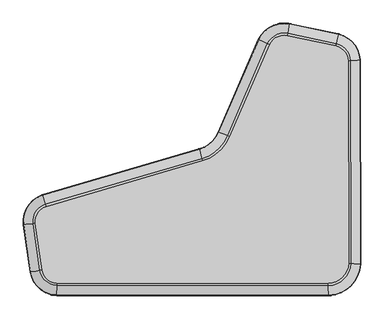
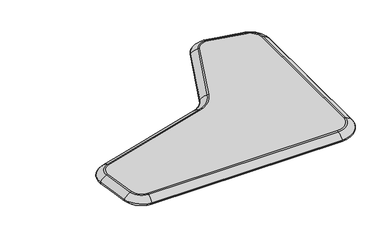
"""IFC4 building model written with IfcOpenShell, lengths in millimetres: furniture geometry."""

from ifc_helpers import new_model, si_unit, point, frame, origin, place, context, project, spatial, circle_curve, ellipse_curve, trimmed, source, transform, mapped, element, save
from ifc_brep_helpers import plane_surface, revolved_surface, advanced_brep


def furniture_b6860d9f(model_context):
    return source(origin(), model_context, "Body", "AdvancedBrep", [
        advanced_brep(
        [(-326.2734197, -236.313272, 382.0000116), (-294.8749357, -264.3265038, 382.0000116), (290.4391448, -265.1286047, 382.0000116), (334.4394906, -221.7031439, 382.0000116), (333.3066413, 215.515427, 382.0000116), (306.3197361, 247.4260858, 382.0000116), (201.8039676, 269.2659264, 382.0000116), (164.0312249, 249.9087519, 382.0000116), (77.9789493, 51.560041, 382.0000116), (19.2076287, -0.5137168, 382.0000116), (-318.036121, -99.3831857, 382.0000116), (-340.8694644, -135.3613504, 382.0000116), (-295.2930613, -273.5770368, 354.9999882), (-335.4165853, -237.7794621, 354.9999882), (-350.0534838, -136.5449801, 354.9999882), (-320.8751896, -90.5691696, 354.9999882), (16.8383263, 8.4380203, 354.9999882), (69.3776164, 54.989948, 354.9999882), (155.6502234, 253.8465184, 354.9999882), (203.502072, 278.3688727, 354.9999882), (308.4088988, 256.4473157, 354.9999882), (342.5495304, 216.0777349, 354.9999882), (343.6851696, -222.2175473, 354.9999882), (290.8319154, -274.380249, 354.9999882), (-331.1795477, -237.1000145, 381.0864983), (-295.0992976, -269.290244, 381.0864983), (-351.6411148, -240.3812137, 366.9309372), (-296.0350244, -289.9920896, 366.9309372), (-351.7020969, -240.3909927, 363.1664435), (-296.0378132, -290.0537878, 363.1664435), (-337.3810224, -238.0944776, 355.1423835), (-295.3828969, -275.5645421, 355.1423835), (-345.7975141, -135.9964738, 381.0864983), (-366.3505081, -138.6453288, 366.9309372), (-366.4117627, -138.6532233, 363.1664435), (-352.0266984, -136.7992866, 355.1423835), (-319.5595358, -94.653676, 381.0864983), (-325.9131113, -74.9287152, 366.9309372), (-325.932047, -74.8699285, 363.1664435), (-321.4851721, -88.6754513, 355.1423835), (17.9362856, 4.2896926, 381.0864983), (12.6340037, 24.3228602, 366.9309372), (12.6182012, 24.3825655, 363.1664435), (16.3292744, 10.3613283, 355.1423835), (73.3635632, 53.4004936, 381.0864983), (54.1145678, 61.0763111, 366.9309372), (54.0571996, 61.0991876, 363.1664435), (67.5295937, 55.726874, 355.1423835), (159.5340663, 252.0217166, 381.0864983), (140.7781527, 260.8340773, 366.9309372), (140.722254, 260.860341, 363.1664435), (153.8495396, 254.6925595, 355.1423835), (202.7151528, 274.1504731, 381.0864983), (206.5153548, 294.5220332, 366.9309372), (206.5266807, 294.582747, 363.1664435), (203.8669149, 280.3246686, 355.1423835), (307.4407592, 252.2667843, 381.0864983), (312.1161138, 272.4554707, 366.9309372), (312.1300479, 272.5156395, 363.1664435), (308.8577618, 258.3855546, 355.1423835), (338.2662798, 215.8171556, 381.0864983), (358.9510192, 217.0755492, 366.9309372), (359.0126664, 217.0792996, 363.1664435), (344.5353934, 216.1985484, 355.1423835), (339.4006262, -221.9791674, 381.0864983), (360.0916089, -223.130355, 366.9309372), (360.1532747, -223.1337859, 363.1664435), (345.671632, -222.3280684, 355.1423835), (290.6499014, -270.0929412, 381.0864983), (291.5288862, -290.7972737, 366.9309372), (291.5315059, -290.8589793, 363.1664435), (290.9163034, -276.3679931, 355.1423835)],
        [
            (0, 1, circle_curve(frame((-293.3702422, -231.0369469, 382.0000116), z_axis=(0.0, 0.0, 1.0), x_axis=(-0.045154063049712374, -0.9989800351308842, 0.0)), 33.3235457)),
            (1, 2, circle_curve(frame((6.932852, 6412.8124726, 382.0000116), z_axis=(0.0, 0.0, 1.0), x_axis=(0.04241594002000567, -0.999100039051255, 0.0)), 6683.9563771)),
            (2, 3, circle_curve(frame((288.4870128, -219.1464784, 382.0000116), z_axis=(0.0, 0.0, 1.0), x_axis=(0.9984558371008476, -0.05555124984413626, 0.0)), 46.0235457)),
            (3, 4, circle_curve(frame((-3419.9399199, -12.8201259, 382.0000116), z_axis=(0.0, 0.0, 1.0), x_axis=(0.9981545622542792, 0.06072454076374811, 0.0)), 3760.1857499)),
            (4, 5, circle_curve(frame((298.4385244, 213.3941619, 382.0000116), z_axis=(0.0, 0.0, 1.0), x_axis=(0.22561205456829644, 0.9742172246647418, 0.0)), 34.9325828)),
            (5, 6, circle_curve(frame((-252.0380649, -2163.623219, 382.0000116), z_axis=(0.0, 0.0, 1.0), x_axis=(0.18338103849356904, 0.9830419089342123, 0.0)), 2474.8580129)),
            (6, 7, circle_curve(frame((195.4401036, 235.1514666, 382.0000116), z_axis=(0.0, 0.0, 1.0), x_axis=(-0.9050779141305899, 0.42524577523241835, 0.0)), 34.7029556)),
            (7, 8, circle_curve(frame((3437.3001245, -1288.0182586, 382.0000116), z_axis=(0.0, 0.0, 1.0), x_axis=(-0.9288718694858054, 0.37040120150715633, 0.0)), 3616.5603519)),
            (8, 9, circle_curve(frame((-3.1361375, 83.9058646, 382.0000116), z_axis=(0.0, 0.0, -1.0), x_axis=(0.2558648059305415, -0.9667125741843469, 0.0)), 87.3264543)),
            (9, 10, circle_curve(frame((1720.1229346, -6426.9396094, 382.0000116), z_axis=(0.0, 0.0, 1.0), x_axis=(-0.3065956132041128, 0.9518398657148134, 0.0)), 6647.7110821)),
            (10, 11, circle_curve(frame((-307.819268, -131.101865, 382.0000116), z_axis=(0.0, 0.0, 1.0), x_axis=(-0.9917971124491444, -0.1278220940899472, 0.0)), 33.3235457)),
            (11, 0, circle_curve(frame((2940.3565075, 287.5206783, 382.0000116), z_axis=(0.0, 0.0, 1.0), x_axis=(-0.9873852508146507, -0.15833624497786172, 0.0)), 3308.3641107)),
            (12, 13, circle_curve(frame((-293.3702422, -231.0369469, 354.9999882), z_axis=(0.0, 0.0, -1.0), x_axis=(-0.045154063049712374, -0.9989800351308842, 0.0)), 42.5835236)),
            (13, 14, circle_curve(frame((2940.3565075, 287.5206783, 354.9999882), z_axis=(0.0, 0.0, -1.0), x_axis=(-0.9873852508146507, -0.15833624497786172, 0.0)), 3317.6240886)),
            (14, 15, circle_curve(frame((-307.819268, -131.101865, 354.9999882), z_axis=(0.0, 0.0, -1.0), x_axis=(-0.9917971124491444, -0.1278220940899472, 0.0)), 42.5835236)),
            (15, 16, circle_curve(frame((1720.1229346, -6426.9396094, 354.9999882), z_axis=(0.0, 0.0, -1.0), x_axis=(-0.3065956132041128, 0.9518398657148134, 0.0)), 6656.97106)),
            (16, 17, circle_curve(frame((-3.1361375, 83.9058646, 354.9999882), z_axis=(0.0, 0.0, 1.0), x_axis=(0.2558648059305415, -0.9667125741843469, 0.0)), 78.0664764)),
            (17, 18, circle_curve(frame((3437.3001245, -1288.0182586, 354.9999882), z_axis=(0.0, 0.0, -1.0), x_axis=(-0.9288718694858054, 0.37040120150715633, 0.0)), 3625.8203297)),
            (18, 19, circle_curve(frame((195.4401036, 235.1514666, 354.9999882), z_axis=(0.0, 0.0, -1.0), x_axis=(-0.9050779141305899, 0.42524577523241835, 0.0)), 43.9629335)),
            (19, 20, circle_curve(frame((-252.0380649, -2163.623219, 354.9999882), z_axis=(0.0, 0.0, -1.0), x_axis=(0.18338103849356904, 0.9830419089342123, 0.0)), 2484.1179908)),
            (20, 21, circle_curve(frame((298.4385244, 213.3941619, 354.9999882), z_axis=(0.0, 0.0, -1.0), x_axis=(0.22561205456829644, 0.9742172246647418, 0.0)), 44.1925607)),
            (21, 22, circle_curve(frame((-3419.9399199, -12.8201259, 354.9999882), z_axis=(0.0, 0.0, -1.0), x_axis=(0.9981545622542792, 0.06072454076374811, 0.0)), 3769.4457278)),
            (22, 23, circle_curve(frame((288.4870128, -219.1464784, 354.9999882), z_axis=(0.0, 0.0, -1.0), x_axis=(0.9984558371008476, -0.05555124984413626, 0.0)), 55.2835236)),
            (23, 12, circle_curve(frame((6.932852, 6412.8124726, 354.9999882), z_axis=(0.0, 0.0, -1.0), x_axis=(0.04241594002000567, -0.999100039051255, 0.0)), 6693.216355)),
            (24, 25, circle_curve(frame((-293.3702422, -231.0369469, 381.0864983), z_axis=(0.0, 0.0, 1.0), x_axis=(-0.045154063049712374, -0.9989800351308842, 0.0)), 38.2923539)),
            (25, 1, circle_curve(frame((-294.8749357, -264.3265038, 368.0300116), z_axis=(-0.9989800351308842, 0.04515406304971235, 0.0), x_axis=(-0.04515406304971235, -0.9989800351308842, 0.0)), 13.97)),
            (0, 24, circle_curve(frame((-326.2734197, -236.313272, 368.0300116), z_axis=(0.15833624497785298, -0.987385250814652, 0.0), x_axis=(-0.987385250814652, -0.15833624497785298, 0.0)), 13.97)),
            (24, 26, circle_curve(frame((-312.3044125, -234.0732141, 330.8548383), z_axis=(0.15833624497785562, -0.9873852508146516, 0.0), x_axis=(-0.9873852508146516, -0.15833624497785562, 0.0)), 53.7461805)),
            (26, 27, circle_curve(frame((-293.3702422, -231.0369469, 366.9309372), z_axis=(0.0, 0.0, 1.0), x_axis=(-0.045154063049712374, -0.9989800351308842, 0.0)), 59.0153363)),
            (27, 25, circle_curve(frame((-294.2361198, -250.1934597, 330.8548383), z_axis=(-0.9989800351308842, 0.04515406304971235, 0.0), x_axis=(-0.04515406304971235, -0.9989800351308842, 0.0)), 53.7461805)),
            (26, 28, circle_curve(frame((-349.5503154, -240.0459349, 365.0134433), z_axis=(0.15833624497785845, -0.9873852508146511, 0.0), x_axis=(-0.9873852508146511, -0.15833624497785845, 0.0)), 2.8566828)),
            (28, 29, circle_curve(frame((-293.3702422, -231.0369469, 363.1664435), z_axis=(0.0, 0.0, 1.0), x_axis=(-0.045154063049712374, -0.9989800351308842, 0.0)), 59.0770974)),
            (29, 27, circle_curve(frame((-295.9394102, -287.8767381, 365.0134433), z_axis=(-0.9989800351308842, 0.04515406304971235, 0.0), x_axis=(-0.04515406304971235, -0.9989800351308842, 0.0)), 2.8566828)),
            (28, 30, circle_curve(frame((-334.0938573, -237.5673506, 378.2806249), z_axis=(0.15833624497785737, -0.9873852508146513, 0.0), x_axis=(-0.9873852508146513, -0.15833624497785737, 0.0)), 23.3765168)),
            (30, 31, circle_curve(frame((-293.3702422, -231.0369469, 355.1423835), z_axis=(0.0, 0.0, 1.0), x_axis=(-0.045154063049712374, -0.9989800351308842, 0.0)), 44.5730581)),
            (31, 29, circle_curve(frame((-295.2325717, -272.2387761, 378.2806249), z_axis=(-0.9989800351308842, 0.04515406304971235, 0.0), x_axis=(-0.04515406304971235, -0.9989800351308842, 0.0)), 23.3765168)),
            (30, 13, circle_curve(frame((-335.4165853, -237.7794621, 368.9699882), z_axis=(0.15833624497785603, -0.9873852508146514, 0.0), x_axis=(-0.9873852508146514, -0.15833624497785603, 0.0)), 13.97)),
            (12, 31, circle_curve(frame((-295.2930613, -273.5770368, 368.9699882), z_axis=(-0.9989800351308842, 0.04515406304971235, 0.0), x_axis=(-0.04515406304971235, -0.9989800351308842, 0.0)), 13.97)),
            (11, 32, circle_curve(frame((-340.8694644, -135.3613504, 368.0300116), z_axis=(0.12782209408997314, -0.991797112449141, 0.0), x_axis=(-0.991797112449141, -0.12782209408997314, 0.0)), 13.97)),
            (32, 24, circle_curve(frame((2940.3565075, 287.5206783, 381.0864983), z_axis=(0.0, 0.0, 1.0), x_axis=(-0.9873852508146507, -0.15833624497786172, 0.0)), 3313.3329189)),
            (32, 33, circle_curve(frame((-326.8380405, -133.5529906, 330.8548383), z_axis=(0.1278220940899731, -0.991797112449141, 0.0), x_axis=(-0.991797112449141, -0.1278220940899731, 0.0)), 53.7461805)),
            (33, 26, circle_curve(frame((2940.3565075, 287.5206783, 366.9309372), z_axis=(0.0, 0.0, 1.0), x_axis=(-0.9873852508146507, -0.15833624497786172, 0.0)), 3334.0559013)),
            (33, 34, circle_curve(frame((-364.2503666, -138.3746641, 365.0134433), z_axis=(0.12782209408997294, -0.991797112449141, 0.0), x_axis=(-0.991797112449141, -0.12782209408997294, 0.0)), 2.8566828)),
            (34, 28, circle_curve(frame((2940.3565075, 287.5206783, 363.1664435), z_axis=(0.0, 0.0, 1.0), x_axis=(-0.9873852508146507, -0.15833624497786172, 0.0)), 3334.1176624)),
            (34, 35, circle_curve(frame((-348.7248455, -136.3737462, 378.2806249), z_axis=(0.12782209408997294, -0.991797112449141, 0.0), x_axis=(-0.991797112449141, -0.12782209408997294, 0.0)), 23.3765168)),
            (35, 30, circle_curve(frame((2940.3565075, 287.5206783, 355.1423835), z_axis=(0.0, 0.0, 1.0), x_axis=(-0.9873852508146507, -0.15833624497786172, 0.0)), 3319.6136231)),
            (35, 14, circle_curve(frame((-350.0534838, -136.5449801, 368.9699882), z_axis=(0.12782209408997305, -0.991797112449141, 0.0), x_axis=(-0.991797112449141, -0.12782209408997305, 0.0)), 13.97)),
            (10, 36, circle_curve(frame((-318.036121, -99.3831857, 368.0300116), z_axis=(-0.9518398657147706, -0.30659561320424583, 0.0), x_axis=(-0.30659561320424583, 0.9518398657147706, 0.0)), 13.97)),
            (36, 32, circle_curve(frame((-307.819268, -131.101865, 381.0864983), z_axis=(0.0, 0.0, 1.0), x_axis=(-0.9917971124491444, -0.1278220940899472, 0.0)), 38.2923539)),
            (36, 37, circle_curve(frame((-313.6985675, -112.8493155, 330.8548383), z_axis=(-0.9518398657147764, -0.3065956132042276, 0.0), x_axis=(-0.3065956132042276, 0.9518398657147764, 0.0)), 53.7461805)),
            (37, 33, circle_curve(frame((-307.819268, -131.101865, 366.9309372), z_axis=(0.0, 0.0, 1.0), x_axis=(-0.9917971124491444, -0.1278220940899472, 0.0)), 59.0153363)),
            (37, 38, circle_curve(frame((-325.2638916, -76.9442469, 365.0134433), z_axis=(-0.9518398657147898, -0.30659561320418605, 0.0), x_axis=(-0.30659561320418605, 0.9518398657147898, 0.0)), 2.8566828)),
            (38, 34, circle_curve(frame((-307.819268, -131.101865, 363.1664435), z_axis=(0.0, 0.0, 1.0), x_axis=(-0.9917971124491444, -0.1278220940899472, 0.0)), 59.0770974)),
            (38, 39, circle_curve(frame((-320.4644658, -91.8442801, 378.2806249), z_axis=(-0.9518398657147894, -0.3065956132041875, 0.0), x_axis=(-0.3065956132041875, 0.9518398657147894, 0.0)), 23.3765168)),
            (39, 35, circle_curve(frame((-307.819268, -131.101865, 355.1423835), z_axis=(0.0, 0.0, 1.0), x_axis=(-0.9917971124491444, -0.1278220940899472, 0.0)), 44.5730581)),
            (39, 15, circle_curve(frame((-320.8751896, -90.5691696, 368.9699882), z_axis=(-0.9518398657147823, -0.30659561320420947, 0.0), x_axis=(-0.30659561320420947, 0.9518398657147823, 0.0)), 13.97)),
            (9, 40, circle_curve(frame((19.2076287, -0.5137168, 368.0300116), z_axis=(-0.9667125741843443, -0.2558648059305506, 0.0), x_axis=(-0.2558648059305506, 0.9667125741843443, 0.0)), 13.97)),
            (40, 36, circle_curve(frame((1720.1229346, -6426.9396094, 381.0864983), z_axis=(0.0, 0.0, 1.0), x_axis=(-0.3065956132041128, 0.9518398657148134, 0.0)), 6652.6798903)),
            (40, 41, circle_curve(frame((22.8274694, -14.1902578, 330.8548383), z_axis=(-0.9667125741843444, -0.2558648059305506, 0.0), x_axis=(-0.2558648059305506, 0.9667125741843444, 0.0)), 53.7461805)),
            (41, 37, circle_curve(frame((1720.1229346, -6426.9396094, 366.9309372), z_axis=(0.0, 0.0, 1.0), x_axis=(-0.3065956132041128, 0.9518398657148134, 0.0)), 6673.4028726)),
            (41, 42, circle_curve(frame((13.1758003, 22.2758354, 365.0134433), z_axis=(-0.9667125741843444, -0.2558648059305506, 0.0), x_axis=(-0.2558648059305506, 0.9667125741843444, 0.0)), 2.8566828)),
            (42, 38, circle_curve(frame((1720.1229346, -6426.9396094, 363.1664435), z_axis=(0.0, 0.0, 1.0), x_axis=(-0.3065956132041128, 0.9518398657148134, 0.0)), 6673.4646338)),
            (42, 43, circle_curve(frame((17.1810897, 7.1429859, 378.2806249), z_axis=(-0.9667125741843444, -0.2558648059305506, 0.0), x_axis=(-0.2558648059305506, 0.9667125741843444, 0.0)), 23.3765168)),
            (43, 39, circle_curve(frame((1720.1229346, -6426.9396094, 355.1423835), z_axis=(0.0, 0.0, 1.0), x_axis=(-0.3065956132041128, 0.9518398657148134, 0.0)), 6658.9605945)),
            (43, 16, circle_curve(frame((16.8383263, 8.4380203, 368.9699882), z_axis=(-0.9667125741843444, -0.2558648059305506, 0.0), x_axis=(-0.2558648059305506, 0.9667125741843444, 0.0)), 13.97)),
            (8, 44, circle_curve(frame((77.9789493, 51.560041, 368.0300116), z_axis=(-0.3704012015071638, -0.9288718694858024, 0.0), x_axis=(-0.9288718694858024, 0.3704012015071638, 0.0)), 13.97)),
            (44, 40, circle_curve(frame((-3.1361375, 83.9058646, 381.0864983), z_axis=(0.0, 0.0, -1.0), x_axis=(0.2558648059305415, -0.9667125741843469, 0.0)), 82.3576461)),
            (44, 45, circle_curve(frame((91.12014, 46.3197997, 330.8548383), z_axis=(-0.37040120150716715, -0.928871869485801, 0.0), x_axis=(-0.928871869485801, 0.37040120150716715, 0.0)), 53.7461805)),
            (45, 41, circle_curve(frame((-3.1361375, 83.9058646, 366.9309372), z_axis=(0.0, 0.0, -1.0), x_axis=(0.2558648059305415, -0.9667125741843469, 0.0)), 61.6346637)),
            (45, 46, circle_curve(frame((56.0814644, 60.2919824, 365.0134433), z_axis=(-0.37040120150716915, -0.9288718694858003, 0.0), x_axis=(-0.9288718694858003, 0.37040120150716915, 0.0)), 2.8566828)),
            (46, 42, circle_curve(frame((-3.1361375, 83.9058646, 363.1664435), z_axis=(0.0, 0.0, -1.0), x_axis=(0.2558648059305415, -0.9667125741843469, 0.0)), 61.5729026)),
            (46, 47, circle_curve(frame((70.6219583, 54.4937485, 378.2806249), z_axis=(-0.37040120150716754, -0.9288718694858009, 0.0), x_axis=(-0.9288718694858009, 0.37040120150716754, 0.0)), 23.3765168)),
            (47, 43, circle_curve(frame((-3.1361375, 83.9058646, 355.1423835), z_axis=(0.0, 0.0, -1.0), x_axis=(0.2558648059305415, -0.9667125741843469, 0.0)), 76.0769419)),
            (47, 17, circle_curve(frame((69.3776164, 54.989948, 368.9699882), z_axis=(-0.3704012015071689, -0.9288718694858004, 0.0), x_axis=(-0.9288718694858004, 0.3704012015071689, 0.0)), 13.97)),
            (7, 48, circle_curve(frame((164.0312249, 249.9087519, 368.0300116), z_axis=(-0.42524577523241847, -0.9050779141305899, 0.0), x_axis=(-0.9050779141305899, 0.42524577523241847, 0.0)), 13.97)),
            (48, 44, circle_curve(frame((3437.3001245, -1288.0182586, 381.0864983), z_axis=(0.0, 0.0, 1.0), x_axis=(-0.9288718694858054, 0.37040120150715633, 0.0)), 3621.5291601)),
            (48, 49, circle_curve(frame((176.8357912, 243.8925983, 330.8548383), z_axis=(-0.42524577523241847, -0.9050779141305899, 0.0), x_axis=(-0.9050779141305899, 0.42524577523241847, 0.0)), 53.7461805)),
            (49, 45, circle_curve(frame((3437.3001245, -1288.0182586, 366.9309372), z_axis=(0.0, 0.0, 1.0), x_axis=(-0.9288718694858054, 0.37040120150715633, 0.0)), 3642.2521424)),
            (49, 50, circle_curve(frame((142.6946653, 259.9336146, 365.0134433), z_axis=(-0.42524577523241847, -0.9050779141305899, 0.0), x_axis=(-0.9050779141305899, 0.42524577523241847, 0.0)), 2.8566828)),
            (50, 46, circle_curve(frame((3437.3001245, -1288.0182586, 363.1664435), z_axis=(0.0, 0.0, 1.0), x_axis=(-0.9288718694858054, 0.37040120150715633, 0.0)), 3642.3139036)),
            (50, 51, circle_curve(frame((156.8626903, 253.2768476, 378.2806249), z_axis=(-0.42524577523241847, -0.9050779141305899, 0.0), x_axis=(-0.9050779141305899, 0.42524577523241847, 0.0)), 23.3765168)),
            (51, 47, circle_curve(frame((3437.3001245, -1288.0182586, 355.1423835), z_axis=(0.0, 0.0, 1.0), x_axis=(-0.9288718694858054, 0.37040120150715633, 0.0)), 3627.8098643)),
            (51, 18, circle_curve(frame((155.6502234, 253.8465184, 368.9699882), z_axis=(-0.42524577523241847, -0.9050779141305899, 0.0), x_axis=(-0.9050779141305899, 0.42524577523241847, 0.0)), 13.97)),
            (6, 52, circle_curve(frame((201.8039676, 269.2659264, 368.0300116), z_axis=(-0.9830419089342199, 0.1833810384935275, 0.0), x_axis=(0.1833810384935275, 0.9830419089342199, 0.0)), 13.97)),
            (52, 48, circle_curve(frame((195.4401036, 235.1514666, 381.0864983), z_axis=(0.0, 0.0, 1.0), x_axis=(-0.9050779141305899, 0.42524577523241835, 0.0)), 39.6717638)),
            (52, 53, circle_curve(frame((199.2095891, 255.3583665, 330.8548383), z_axis=(-0.9830419089342192, 0.18338103849353207, 0.0), x_axis=(0.18338103849353207, 0.9830419089342192, 0.0)), 53.7461805)),
            (53, 49, circle_curve(frame((195.4401036, 235.1514666, 366.9309372), z_axis=(0.0, 0.0, 1.0), x_axis=(-0.9050779141305899, 0.42524577523241835, 0.0)), 60.3947462)),
            (53, 54, circle_curve(frame((206.1270434, 292.4404309, 365.0134433), z_axis=(-0.9830419089342167, 0.18338103849354476, 0.0), x_axis=(0.18338103849354476, 0.9830419089342167, 0.0)), 2.8566828)),
            (54, 50, circle_curve(frame((195.4401036, 235.1514666, 363.1664435), z_axis=(0.0, 0.0, 1.0), x_axis=(-0.9050779141305899, 0.42524577523241835, 0.0)), 60.4565074)),
            (54, 55, circle_curve(frame((203.2564098, 277.0519631, 378.2806249), z_axis=(-0.9830419089342168, 0.18338103849354498, 0.0), x_axis=(0.18338103849354498, 0.9830419089342168, 0.0)), 23.3765168)),
            (55, 51, circle_curve(frame((195.4401036, 235.1514666, 355.1423835), z_axis=(0.0, 0.0, 1.0), x_axis=(-0.9050779141305899, 0.42524577523241835, 0.0)), 45.9524681)),
            (55, 19, circle_curve(frame((203.502072, 278.3688727, 368.9699882), z_axis=(-0.9830419089342182, 0.183381038493538, 0.0), x_axis=(0.183381038493538, 0.9830419089342182, 0.0)), 13.97)),
            (5, 56, circle_curve(frame((306.3197361, 247.4260858, 368.0300116), z_axis=(-0.9742172246647435, 0.2256120545682898, 0.0), x_axis=(0.2256120545682898, 0.9742172246647435, 0.0)), 13.97)),
            (56, 52, circle_curve(frame((-252.0380649, -2163.623219, 381.0864983), z_axis=(0.0, 0.0, 1.0), x_axis=(0.18338103849356904, 0.9830419089342123, 0.0)), 2479.8268211)),
            (56, 57, circle_curve(frame((303.1278955, 233.6433729, 330.8548383), z_axis=(-0.9742172246647435, 0.22561205456828987, 0.0), x_axis=(0.22561205456828987, 0.9742172246647435, 0.0)), 53.7461805)),
            (57, 53, circle_curve(frame((-252.0380649, -2163.623219, 366.9309372), z_axis=(0.0, 0.0, 1.0), x_axis=(0.18338103849356904, 0.9830419089342123, 0.0)), 2500.5498035)),
            (57, 58, circle_curve(frame((311.6383777, 270.3925547, 365.0134433), z_axis=(-0.9742172246647433, 0.22561205456828987, 0.0), x_axis=(0.22561205456828987, 0.9742172246647433, 0.0)), 2.8566828)),
            (58, 54, circle_curve(frame((-252.0380649, -2163.623219, 363.1664435), z_axis=(0.0, 0.0, 1.0), x_axis=(0.18338103849356904, 0.9830419089342123, 0.0)), 2500.6115647)),
            (58, 59, circle_curve(frame((308.1066628, 255.142228, 378.2806249), z_axis=(-0.9742172246647433, 0.22561205456828987, 0.0), x_axis=(0.22561205456828987, 0.9742172246647433, 0.0)), 23.3765168)),
            (59, 55, circle_curve(frame((-252.0380649, -2163.623219, 355.1423835), z_axis=(0.0, 0.0, 1.0), x_axis=(0.18338103849356904, 0.9830419089342123, 0.0)), 2486.1075254)),
            (59, 20, circle_curve(frame((308.4088988, 256.4473157, 368.9699882), z_axis=(-0.9742172246647434, 0.22561205456828987, 0.0), x_axis=(0.22561205456828987, 0.9742172246647434, 0.0)), 13.97)),
            (4, 60, circle_curve(frame((333.3066413, 215.515427, 368.0300116), z_axis=(-0.060724540763123586, 0.9981545622543171, 0.0), x_axis=(0.9981545622543171, 0.060724540763123586, 0.0)), 13.97)),
            (60, 56, circle_curve(frame((298.4385244, 213.3941619, 381.0864983), z_axis=(0.0, 0.0, 1.0), x_axis=(0.22561205456829644, 0.9742172246647418, 0.0)), 39.901391)),
            (60, 61, circle_curve(frame((319.1852755, 214.6563281, 330.8548383), z_axis=(-0.06072454076320094, 0.9981545622543124, 0.0), x_axis=(0.9981545622543124, 0.06072454076320094, 0.0)), 53.7461805)),
            (61, 57, circle_curve(frame((298.4385244, 213.3941619, 366.9309372), z_axis=(0.0, 0.0, 1.0), x_axis=(0.22561205456829644, 0.9742172246647418, 0.0)), 60.6243734)),
            (61, 62, circle_curve(frame((356.8374157, 216.9469643, 365.0134433), z_axis=(-0.06072454076338865, 0.9981545622543011, 0.0), x_axis=(0.9981545622543011, 0.06072454076338865, 0.0)), 2.8566828)),
            (62, 58, circle_curve(frame((298.4385244, 213.3941619, 363.1664435), z_axis=(0.0, 0.0, 1.0), x_axis=(0.22561205456829644, 0.9742172246647418, 0.0)), 60.6861346)),
            (62, 63, circle_curve(frame((341.2123756, 215.9963866, 378.2806249), z_axis=(-0.06072454076338951, 0.9981545622543011, 0.0), x_axis=(0.9981545622543011, 0.06072454076338951, 0.0)), 23.3765168)),
            (63, 59, circle_curve(frame((298.4385244, 213.3941619, 355.1423835), z_axis=(0.0, 0.0, 1.0), x_axis=(0.22561205456829644, 0.9742172246647418, 0.0)), 46.1820953)),
            (63, 21, circle_curve(frame((342.5495304, 216.0777349, 368.9699882), z_axis=(-0.06072454076327605, 0.9981545622543079, 0.0), x_axis=(0.9981545622543079, 0.06072454076327605, 0.0)), 13.97)),
            (3, 64, circle_curve(frame((334.4394906, -221.7031439, 368.0300116), z_axis=(0.05555124984413642, 0.9984558371008476, 0.0), x_axis=(0.9984558371008476, -0.05555124984413642, 0.0)), 13.97)),
            (64, 60, circle_curve(frame((-3419.9399199, -12.8201259, 381.0864983), z_axis=(0.0, 0.0, 1.0), x_axis=(0.9981545622542792, 0.06072454076374811, 0.0)), 3765.1545581)),
            (64, 65, circle_curve(frame((320.3138626, -220.9172341, 330.8548383), z_axis=(0.055551249844136404, 0.9984558371008476, 0.0), x_axis=(0.9984558371008476, -0.055551249844136404, 0.0)), 53.7461805)),
            (65, 61, circle_curve(frame((-3419.9399199, -12.8201259, 366.9309372), z_axis=(0.0, 0.0, 1.0), x_axis=(0.9981545622542792, 0.06072454076374811, 0.0)), 3785.8775404)),
            (65, 66, circle_curve(frame((357.9773674, -223.0127246, 365.0134433), z_axis=(0.055551249844136404, 0.9984558371008476, 0.0), x_axis=(0.9984558371008476, -0.055551249844136404, 0.0)), 2.8566828)),
            (66, 62, circle_curve(frame((-3419.9399199, -12.8201259, 363.1664435), z_axis=(0.0, 0.0, 1.0), x_axis=(0.9981545622542792, 0.06072454076374811, 0.0)), 3785.9393016)),
            (66, 67, circle_curve(frame((342.3476111, -222.1431293, 378.2806249), z_axis=(0.055551249844136404, 0.9984558371008476, 0.0), x_axis=(0.9984558371008476, -0.055551249844136404, 0.0)), 23.3765168)),
            (67, 63, circle_curve(frame((-3419.9399199, -12.8201259, 355.1423835), z_axis=(0.0, 0.0, 1.0), x_axis=(0.9981545622542792, 0.06072454076374811, 0.0)), 3771.4352623)),
            (67, 22, circle_curve(frame((343.6851696, -222.2175473, 368.9699882), z_axis=(0.05555124984413642, 0.9984558371008476, 0.0), x_axis=(0.9984558371008476, -0.05555124984413642, 0.0)), 13.97)),
            (2, 68, circle_curve(frame((290.4391448, -265.1286047, 368.0300116), z_axis=(0.9991000390512902, 0.0424159400191758, 0.0), x_axis=(0.0424159400191758, -0.9991000390512902, 0.0)), 13.97)),
            (68, 64, circle_curve(frame((288.4870128, -219.1464784, 381.0864983), z_axis=(0.0, 0.0, 1.0), x_axis=(0.9984558371008476, -0.05555124984413626, 0.0)), 50.9923539)),
            (68, 69, circle_curve(frame((289.8390663, -250.9938629, 330.8548383), z_axis=(0.9991000390512869, 0.04241594001925655, 0.0), x_axis=(0.04241594001925655, -0.9991000390512869, 0.0)), 53.7461805)),
            (69, 65, circle_curve(frame((288.4870128, -219.1464784, 366.9309372), z_axis=(0.0, 0.0, 1.0), x_axis=(0.9984558371008476, -0.05555124984413626, 0.0)), 71.7153363)),
            (69, 70, circle_curve(frame((291.43907, -288.6816681, 365.0134433), z_axis=(0.9991000390512776, 0.04241594001947307, 0.0), x_axis=(0.04241594001947307, -0.9991000390512776, 0.0)), 2.8566828)),
            (70, 66, circle_curve(frame((288.4870128, -219.1464784, 363.1664435), z_axis=(0.0, 0.0, 1.0), x_axis=(0.9984558371008476, -0.05555124984413626, 0.0)), 71.7770974)),
            (70, 71, circle_curve(frame((290.7750939, -273.0418275, 378.2806249), z_axis=(0.9991000390512776, 0.04241594001947329, 0.0), x_axis=(0.04241594001947329, -0.9991000390512776, 0.0)), 23.3765168)),
            (71, 67, circle_curve(frame((288.4870128, -219.1464784, 355.1423835), z_axis=(0.0, 0.0, 1.0), x_axis=(0.9984558371008476, -0.05555124984413626, 0.0)), 57.2730581)),
            (71, 23, circle_curve(frame((290.8319154, -274.380249, 368.9699882), z_axis=(0.9991000390512833, 0.04241594001933885, 0.0), x_axis=(0.04241594001933885, -0.9991000390512833, 0.0)), 13.97)),
            (25, 68, circle_curve(frame((6.932852, 6412.8124726, 381.0864983), z_axis=(0.0, 0.0, 1.0), x_axis=(0.04241594002000567, -0.999100039051255, 0.0)), 6688.9251853)),
            (27, 69, circle_curve(frame((6.932852, 6412.8124726, 366.9309372), z_axis=(0.0, 0.0, 1.0), x_axis=(0.04241594002000567, -0.999100039051255, 0.0)), 6709.6481677)),
            (29, 70, circle_curve(frame((6.932852, 6412.8124726, 363.1664435), z_axis=(0.0, 0.0, 1.0), x_axis=(0.04241594002000567, -0.999100039051255, 0.0)), 6709.7099289)),
            (31, 71, circle_curve(frame((6.932852, 6412.8124726, 355.1423835), z_axis=(0.0, 0.0, 1.0), x_axis=(0.04241594002000567, -0.999100039051255, 0.0)), 6695.2058896)),
        ],
        [
            plane_surface(frame((-261.6202422, -231.0369469, 382.0000116), z_axis=(0.0, 0.0, 1.0), x_axis=(0.0, 1.0, 0.0))),
            plane_surface(frame((-261.6202422, -231.0369469, 354.9999882), z_axis=(0.0, 0.0, -1.0), x_axis=(0.0, -1.0, 0.0))),
            revolved_surface(trimmed(ellipse_curve(frame((-294.8749357, -264.3265038, 368.0300116), z_axis=(0.9989800351308842, -0.04515406304971235, 0.0), x_axis=(-0.04515406304971235, -0.9989800351308842, 0.0)), 13.97, 13.97), [point((-294.8749357, -264.3265038, 382.0000116))], [point((-295.0992976, -269.290244, 381.0864983))], True, "CARTESIAN"), (-293.3702422, -231.0369469, 382.0000116), (0.0, 0.0, -1.0)),
            revolved_surface(trimmed(ellipse_curve(frame((-294.2361198, -250.1934597, 330.8548383), z_axis=(0.9989800351308842, -0.04515406304971235, 0.0), x_axis=(-0.04515406304971235, -0.9989800351308842, 0.0)), 53.7461805, 53.7461805), [point((-295.0992976, -269.290244, 381.0864983))], [point((-296.0350244, -289.9920896, 366.9309372))], True, "CARTESIAN"), (-293.3702422, -231.0369469, 382.0000116), (0.0, 0.0, -1.0)),
            revolved_surface(trimmed(ellipse_curve(frame((-295.9394102, -287.8767381, 365.0134433), z_axis=(0.9989800351308842, -0.04515406304971235, 0.0), x_axis=(-0.04515406304971235, -0.9989800351308842, 0.0)), 2.8566828, 2.8566828), [point((-296.0350244, -289.9920896, 366.9309372))], [point((-296.0378132, -290.0537878, 363.1664435))], True, "CARTESIAN"), (-293.3702422, -231.0369469, 382.0000116), (0.0, 0.0, -1.0)),
            revolved_surface(trimmed(ellipse_curve(frame((-295.2325717, -272.2387761, 378.2806249), z_axis=(0.9989800351308842, -0.04515406304971235, 0.0), x_axis=(-0.04515406304971235, -0.9989800351308842, 0.0)), 23.3765168, 23.3765168), [point((-296.0378132, -290.0537878, 363.1664435))], [point((-295.3828969, -275.5645421, 355.1423835))], True, "CARTESIAN"), (-293.3702422, -231.0369469, 382.0000116), (0.0, 0.0, -1.0)),
            revolved_surface(trimmed(ellipse_curve(frame((-295.2930613, -273.5770368, 368.9699882), z_axis=(0.9989800351308842, -0.04515406304971235, 0.0), x_axis=(-0.04515406304971235, -0.9989800351308842, 0.0)), 13.97, 13.97), [point((-295.3828969, -275.5645421, 355.1423835))], [point((-295.2930613, -273.5770368, 354.9999882))], True, "CARTESIAN"), (-293.3702422, -231.0369469, 382.0000116), (0.0, 0.0, -1.0)),
            revolved_surface(trimmed(ellipse_curve(frame((-326.2734197, -236.313272, 368.0300116), z_axis=(0.15833624497786175, -0.9873852508146507, 0.0), x_axis=(-0.9873852508146507, -0.15833624497786175, 0.0)), 13.97, 13.97), [point((-326.2734197, -236.313272, 382.0000116))], [point((-331.1795477, -237.1000145, 381.0864983))], True, "CARTESIAN"), (2940.3565075, 287.5206783, 382.0000116), (0.0, 0.0, -1.0)),
            revolved_surface(trimmed(ellipse_curve(frame((-312.3044125, -234.0732141, 330.8548383), z_axis=(0.15833624497786175, -0.9873852508146507, 0.0), x_axis=(-0.9873852508146507, -0.15833624497786175, 0.0)), 53.7461805, 53.7461805), [point((-331.1795477, -237.1000145, 381.0864983))], [point((-351.6411148, -240.3812137, 366.9309372))], True, "CARTESIAN"), (2940.3565075, 287.5206783, 382.0000116), (0.0, 0.0, -1.0)),
            revolved_surface(trimmed(ellipse_curve(frame((-349.5503154, -240.0459349, 365.0134433), z_axis=(0.15833624497786175, -0.9873852508146507, 0.0), x_axis=(-0.9873852508146507, -0.15833624497786175, 0.0)), 2.8566828, 2.8566828), [point((-351.6411148, -240.3812137, 366.9309372))], [point((-351.7020969, -240.3909927, 363.1664435))], True, "CARTESIAN"), (2940.3565075, 287.5206783, 382.0000116), (0.0, 0.0, -1.0)),
            revolved_surface(trimmed(ellipse_curve(frame((-334.0938573, -237.5673506, 378.2806249), z_axis=(0.15833624497786175, -0.9873852508146507, 0.0), x_axis=(-0.9873852508146507, -0.15833624497786175, 0.0)), 23.3765168, 23.3765168), [point((-351.7020969, -240.3909927, 363.1664435))], [point((-337.3810224, -238.0944776, 355.1423835))], True, "CARTESIAN"), (2940.3565075, 287.5206783, 382.0000116), (0.0, 0.0, -1.0)),
            revolved_surface(trimmed(ellipse_curve(frame((-335.4165853, -237.7794621, 368.9699882), z_axis=(0.15833624497786175, -0.9873852508146507, 0.0), x_axis=(-0.9873852508146507, -0.15833624497786175, 0.0)), 13.97, 13.97), [point((-337.3810224, -238.0944776, 355.1423835))], [point((-335.4165853, -237.7794621, 354.9999882))], True, "CARTESIAN"), (2940.3565075, 287.5206783, 382.0000116), (0.0, 0.0, -1.0)),
            revolved_surface(trimmed(ellipse_curve(frame((-340.8694644, -135.3613504, 368.0300116), z_axis=(0.12782209408994724, -0.9917971124491444, 0.0), x_axis=(-0.9917971124491444, -0.12782209408994724, 0.0)), 13.97, 13.97), [point((-340.8694644, -135.3613504, 382.0000116))], [point((-345.7975141, -135.9964738, 381.0864983))], True, "CARTESIAN"), (-307.819268, -131.101865, 382.0000116), (0.0, 0.0, -1.0)),
            revolved_surface(trimmed(ellipse_curve(frame((-326.8380405, -133.5529906, 330.8548383), z_axis=(0.12782209408994724, -0.9917971124491444, 0.0), x_axis=(-0.9917971124491444, -0.12782209408994724, 0.0)), 53.7461805, 53.7461805), [point((-345.7975141, -135.9964738, 381.0864983))], [point((-366.3505081, -138.6453288, 366.9309372))], True, "CARTESIAN"), (-307.819268, -131.101865, 382.0000116), (0.0, 0.0, -1.0)),
            revolved_surface(trimmed(ellipse_curve(frame((-364.2503666, -138.3746641, 365.0134433), z_axis=(0.12782209408994724, -0.9917971124491444, 0.0), x_axis=(-0.9917971124491444, -0.12782209408994724, 0.0)), 2.8566828, 2.8566828), [point((-366.3505081, -138.6453288, 366.9309372))], [point((-366.4117627, -138.6532233, 363.1664435))], True, "CARTESIAN"), (-307.819268, -131.101865, 382.0000116), (0.0, 0.0, -1.0)),
            revolved_surface(trimmed(ellipse_curve(frame((-348.7248455, -136.3737462, 378.2806249), z_axis=(0.12782209408994724, -0.9917971124491444, 0.0), x_axis=(-0.9917971124491444, -0.12782209408994724, 0.0)), 23.3765168, 23.3765168), [point((-366.4117627, -138.6532233, 363.1664435))], [point((-352.0266984, -136.7992866, 355.1423835))], True, "CARTESIAN"), (-307.819268, -131.101865, 382.0000116), (0.0, 0.0, -1.0)),
            revolved_surface(trimmed(ellipse_curve(frame((-350.0534838, -136.5449801, 368.9699882), z_axis=(0.12782209408994724, -0.9917971124491444, 0.0), x_axis=(-0.9917971124491444, -0.12782209408994724, 0.0)), 13.97, 13.97), [point((-352.0266984, -136.7992866, 355.1423835))], [point((-350.0534838, -136.5449801, 354.9999882))], True, "CARTESIAN"), (-307.819268, -131.101865, 382.0000116), (0.0, 0.0, -1.0)),
            revolved_surface(trimmed(ellipse_curve(frame((-318.036121, -99.3831857, 368.0300116), z_axis=(-0.9518398657148134, -0.30659561320411294, 0.0), x_axis=(-0.30659561320411294, 0.9518398657148134, 0.0)), 13.97, 13.97), [point((-318.036121, -99.3831857, 382.0000116))], [point((-319.5595358, -94.653676, 381.0864983))], True, "CARTESIAN"), (1720.1229346, -6426.9396094, 382.0000116), (0.0, 0.0, -1.0)),
            revolved_surface(trimmed(ellipse_curve(frame((-313.6985675, -112.8493155, 330.8548383), z_axis=(-0.9518398657148134, -0.30659561320411294, 0.0), x_axis=(-0.30659561320411294, 0.9518398657148134, 0.0)), 53.7461805, 53.7461805), [point((-319.5595358, -94.653676, 381.0864983))], [point((-325.9131113, -74.9287152, 366.9309372))], True, "CARTESIAN"), (1720.1229346, -6426.9396094, 382.0000116), (0.0, 0.0, -1.0)),
            revolved_surface(trimmed(ellipse_curve(frame((-325.2638916, -76.9442469, 365.0134433), z_axis=(-0.9518398657148134, -0.30659561320411294, 0.0), x_axis=(-0.30659561320411294, 0.9518398657148134, 0.0)), 2.8566828, 2.8566828), [point((-325.9131113, -74.9287152, 366.9309372))], [point((-325.932047, -74.8699285, 363.1664435))], True, "CARTESIAN"), (1720.1229346, -6426.9396094, 382.0000116), (0.0, 0.0, -1.0)),
            revolved_surface(trimmed(ellipse_curve(frame((-320.4644658, -91.8442801, 378.2806249), z_axis=(-0.9518398657148134, -0.30659561320411294, 0.0), x_axis=(-0.30659561320411294, 0.9518398657148134, 0.0)), 23.3765168, 23.3765168), [point((-325.932047, -74.8699285, 363.1664435))], [point((-321.4851721, -88.6754513, 355.1423835))], True, "CARTESIAN"), (1720.1229346, -6426.9396094, 382.0000116), (0.0, 0.0, -1.0)),
            revolved_surface(trimmed(ellipse_curve(frame((-320.8751896, -90.5691696, 368.9699882), z_axis=(-0.9518398657148134, -0.30659561320411294, 0.0), x_axis=(-0.30659561320411294, 0.9518398657148134, 0.0)), 13.97, 13.97), [point((-321.4851721, -88.6754513, 355.1423835))], [point((-320.8751896, -90.5691696, 354.9999882))], True, "CARTESIAN"), (1720.1229346, -6426.9396094, 382.0000116), (0.0, 0.0, -1.0)),
            revolved_surface(trimmed(ellipse_curve(frame((19.2076287, -0.5137168, 368.0300116), z_axis=(-0.9667125741843469, -0.2558648059305416, 0.0), x_axis=(-0.2558648059305416, 0.9667125741843469, 0.0)), 13.97, 13.97), [point((19.2076287, -0.5137168, 382.0000116))], [point((17.9362856, 4.2896926, 381.0864983))], True, "CARTESIAN"), (-3.1361375, 83.9058646, 382.0000116), (0.0, 0.0, 1.0)),
            revolved_surface(trimmed(ellipse_curve(frame((22.8274694, -14.1902578, 330.8548383), z_axis=(-0.9667125741843469, -0.2558648059305416, 0.0), x_axis=(-0.2558648059305416, 0.9667125741843469, 0.0)), 53.7461805, 53.7461805), [point((17.9362856, 4.2896926, 381.0864983))], [point((12.6340037, 24.3228602, 366.9309372))], True, "CARTESIAN"), (-3.1361375, 83.9058646, 382.0000116), (0.0, 0.0, 1.0)),
            revolved_surface(trimmed(ellipse_curve(frame((13.1758003, 22.2758354, 365.0134433), z_axis=(-0.9667125741843469, -0.2558648059305416, 0.0), x_axis=(-0.2558648059305416, 0.9667125741843469, 0.0)), 2.8566828, 2.8566828), [point((12.6340037, 24.3228602, 366.9309372))], [point((12.6182012, 24.3825655, 363.1664435))], True, "CARTESIAN"), (-3.1361375, 83.9058646, 382.0000116), (0.0, 0.0, 1.0)),
            revolved_surface(trimmed(ellipse_curve(frame((17.1810897, 7.1429859, 378.2806249), z_axis=(-0.9667125741843469, -0.2558648059305416, 0.0), x_axis=(-0.2558648059305416, 0.9667125741843469, 0.0)), 23.3765168, 23.3765168), [point((12.6182012, 24.3825655, 363.1664435))], [point((16.3292744, 10.3613283, 355.1423835))], True, "CARTESIAN"), (-3.1361375, 83.9058646, 382.0000116), (0.0, 0.0, 1.0)),
            revolved_surface(trimmed(ellipse_curve(frame((16.8383263, 8.4380203, 368.9699882), z_axis=(-0.9667125741843469, -0.2558648059305416, 0.0), x_axis=(-0.2558648059305416, 0.9667125741843469, 0.0)), 13.97, 13.97), [point((16.3292744, 10.3613283, 355.1423835))], [point((16.8383263, 8.4380203, 354.9999882))], True, "CARTESIAN"), (-3.1361375, 83.9058646, 382.0000116), (0.0, 0.0, 1.0)),
            revolved_surface(trimmed(ellipse_curve(frame((77.9789493, 51.560041, 368.0300116), z_axis=(-0.3704012015071562, -0.9288718694858054, 0.0), x_axis=(-0.9288718694858054, 0.3704012015071562, 0.0)), 13.97, 13.97), [point((77.9789493, 51.560041, 382.0000116))], [point((73.3635632, 53.4004936, 381.0864983))], True, "CARTESIAN"), (3437.3001245, -1288.0182586, 382.0000116), (0.0, 0.0, -1.0)),
            revolved_surface(trimmed(ellipse_curve(frame((91.12014, 46.3197997, 330.8548383), z_axis=(-0.3704012015071562, -0.9288718694858054, 0.0), x_axis=(-0.9288718694858054, 0.3704012015071562, 0.0)), 53.7461805, 53.7461805), [point((73.3635632, 53.4004936, 381.0864983))], [point((54.1145678, 61.0763111, 366.9309372))], True, "CARTESIAN"), (3437.3001245, -1288.0182586, 382.0000116), (0.0, 0.0, -1.0)),
            revolved_surface(trimmed(ellipse_curve(frame((56.0814644, 60.2919824, 365.0134433), z_axis=(-0.3704012015071562, -0.9288718694858054, 0.0), x_axis=(-0.9288718694858054, 0.3704012015071562, 0.0)), 2.8566828, 2.8566828), [point((54.1145678, 61.0763111, 366.9309372))], [point((54.0571996, 61.0991876, 363.1664435))], True, "CARTESIAN"), (3437.3001245, -1288.0182586, 382.0000116), (0.0, 0.0, -1.0)),
            revolved_surface(trimmed(ellipse_curve(frame((70.6219583, 54.4937485, 378.2806249), z_axis=(-0.3704012015071562, -0.9288718694858054, 0.0), x_axis=(-0.9288718694858054, 0.3704012015071562, 0.0)), 23.3765168, 23.3765168), [point((54.0571996, 61.0991876, 363.1664435))], [point((67.5295937, 55.726874, 355.1423835))], True, "CARTESIAN"), (3437.3001245, -1288.0182586, 382.0000116), (0.0, 0.0, -1.0)),
            revolved_surface(trimmed(ellipse_curve(frame((69.3776164, 54.989948, 368.9699882), z_axis=(-0.3704012015071562, -0.9288718694858054, 0.0), x_axis=(-0.9288718694858054, 0.3704012015071562, 0.0)), 13.97, 13.97), [point((67.5295937, 55.726874, 355.1423835))], [point((69.3776164, 54.989948, 354.9999882))], True, "CARTESIAN"), (3437.3001245, -1288.0182586, 382.0000116), (0.0, 0.0, -1.0)),
            revolved_surface(trimmed(ellipse_curve(frame((164.0312249, 249.9087519, 368.0300116), z_axis=(-0.42524577523241824, -0.9050779141305899, 0.0), x_axis=(-0.9050779141305899, 0.42524577523241824, 0.0)), 13.97, 13.97), [point((164.0312249, 249.9087519, 382.0000116))], [point((159.5340663, 252.0217166, 381.0864983))], True, "CARTESIAN"), (195.4401036, 235.1514666, 382.0000116), (0.0, 0.0, -1.0)),
            revolved_surface(trimmed(ellipse_curve(frame((176.8357912, 243.8925983, 330.8548383), z_axis=(-0.42524577523241824, -0.9050779141305899, 0.0), x_axis=(-0.9050779141305899, 0.42524577523241824, 0.0)), 53.7461805, 53.7461805), [point((159.5340663, 252.0217166, 381.0864983))], [point((140.7781527, 260.8340773, 366.9309372))], True, "CARTESIAN"), (195.4401036, 235.1514666, 382.0000116), (0.0, 0.0, -1.0)),
            revolved_surface(trimmed(ellipse_curve(frame((142.6946653, 259.9336146, 365.0134433), z_axis=(-0.42524577523241824, -0.9050779141305899, 0.0), x_axis=(-0.9050779141305899, 0.42524577523241824, 0.0)), 2.8566828, 2.8566828), [point((140.7781527, 260.8340773, 366.9309372))], [point((140.722254, 260.860341, 363.1664435))], True, "CARTESIAN"), (195.4401036, 235.1514666, 382.0000116), (0.0, 0.0, -1.0)),
            revolved_surface(trimmed(ellipse_curve(frame((156.8626903, 253.2768476, 378.2806249), z_axis=(-0.42524577523241824, -0.9050779141305899, 0.0), x_axis=(-0.9050779141305899, 0.42524577523241824, 0.0)), 23.3765168, 23.3765168), [point((140.722254, 260.860341, 363.1664435))], [point((153.8495396, 254.6925595, 355.1423835))], True, "CARTESIAN"), (195.4401036, 235.1514666, 382.0000116), (0.0, 0.0, -1.0)),
            revolved_surface(trimmed(ellipse_curve(frame((155.6502234, 253.8465184, 368.9699882), z_axis=(-0.42524577523241824, -0.9050779141305899, 0.0), x_axis=(-0.9050779141305899, 0.42524577523241824, 0.0)), 13.97, 13.97), [point((153.8495396, 254.6925595, 355.1423835))], [point((155.6502234, 253.8465184, 354.9999882))], True, "CARTESIAN"), (195.4401036, 235.1514666, 382.0000116), (0.0, 0.0, -1.0)),
            revolved_surface(trimmed(ellipse_curve(frame((201.8039676, 269.2659264, 368.0300116), z_axis=(-0.9830419089342123, 0.18338103849356888, 0.0), x_axis=(0.18338103849356888, 0.9830419089342123, 0.0)), 13.97, 13.97), [point((201.8039676, 269.2659264, 382.0000116))], [point((202.7151528, 274.1504731, 381.0864983))], True, "CARTESIAN"), (-252.0380649, -2163.623219, 382.0000116), (0.0, 0.0, -1.0)),
            revolved_surface(trimmed(ellipse_curve(frame((199.2095891, 255.3583665, 330.8548383), z_axis=(-0.9830419089342123, 0.18338103849356888, 0.0), x_axis=(0.18338103849356888, 0.9830419089342123, 0.0)), 53.7461805, 53.7461805), [point((202.7151528, 274.1504731, 381.0864983))], [point((206.5153548, 294.5220332, 366.9309372))], True, "CARTESIAN"), (-252.0380649, -2163.623219, 382.0000116), (0.0, 0.0, -1.0)),
            revolved_surface(trimmed(ellipse_curve(frame((206.1270434, 292.4404309, 365.0134433), z_axis=(-0.9830419089342123, 0.18338103849356888, 0.0), x_axis=(0.18338103849356888, 0.9830419089342123, 0.0)), 2.8566828, 2.8566828), [point((206.5153548, 294.5220332, 366.9309372))], [point((206.5266807, 294.582747, 363.1664435))], True, "CARTESIAN"), (-252.0380649, -2163.623219, 382.0000116), (0.0, 0.0, -1.0)),
            revolved_surface(trimmed(ellipse_curve(frame((203.2564098, 277.0519631, 378.2806249), z_axis=(-0.9830419089342123, 0.18338103849356888, 0.0), x_axis=(0.18338103849356888, 0.9830419089342123, 0.0)), 23.3765168, 23.3765168), [point((206.5266807, 294.582747, 363.1664435))], [point((203.8669149, 280.3246686, 355.1423835))], True, "CARTESIAN"), (-252.0380649, -2163.623219, 382.0000116), (0.0, 0.0, -1.0)),
            revolved_surface(trimmed(ellipse_curve(frame((203.502072, 278.3688727, 368.9699882), z_axis=(-0.9830419089342123, 0.18338103849356888, 0.0), x_axis=(0.18338103849356888, 0.9830419089342123, 0.0)), 13.97, 13.97), [point((203.8669149, 280.3246686, 355.1423835))], [point((203.502072, 278.3688727, 354.9999882))], True, "CARTESIAN"), (-252.0380649, -2163.623219, 382.0000116), (0.0, 0.0, -1.0)),
            revolved_surface(trimmed(ellipse_curve(frame((306.3197361, 247.4260858, 368.0300116), z_axis=(-0.9742172246647418, 0.22561205456829622, 0.0), x_axis=(0.22561205456829622, 0.9742172246647418, 0.0)), 13.97, 13.97), [point((306.3197361, 247.4260858, 382.0000116))], [point((307.4407592, 252.2667843, 381.0864983))], True, "CARTESIAN"), (298.4385244, 213.3941619, 382.0000116), (0.0, 0.0, -1.0)),
            revolved_surface(trimmed(ellipse_curve(frame((303.1278955, 233.6433729, 330.8548383), z_axis=(-0.9742172246647418, 0.22561205456829622, 0.0), x_axis=(0.22561205456829622, 0.9742172246647418, 0.0)), 53.7461805, 53.7461805), [point((307.4407592, 252.2667843, 381.0864983))], [point((312.1161138, 272.4554707, 366.9309372))], True, "CARTESIAN"), (298.4385244, 213.3941619, 382.0000116), (0.0, 0.0, -1.0)),
            revolved_surface(trimmed(ellipse_curve(frame((311.6383777, 270.3925547, 365.0134433), z_axis=(-0.9742172246647418, 0.22561205456829622, 0.0), x_axis=(0.22561205456829622, 0.9742172246647418, 0.0)), 2.8566828, 2.8566828), [point((312.1161138, 272.4554707, 366.9309372))], [point((312.1300479, 272.5156395, 363.1664435))], True, "CARTESIAN"), (298.4385244, 213.3941619, 382.0000116), (0.0, 0.0, -1.0)),
            revolved_surface(trimmed(ellipse_curve(frame((308.1066628, 255.142228, 378.2806249), z_axis=(-0.9742172246647418, 0.22561205456829622, 0.0), x_axis=(0.22561205456829622, 0.9742172246647418, 0.0)), 23.3765168, 23.3765168), [point((312.1300479, 272.5156395, 363.1664435))], [point((308.8577618, 258.3855546, 355.1423835))], True, "CARTESIAN"), (298.4385244, 213.3941619, 382.0000116), (0.0, 0.0, -1.0)),
            revolved_surface(trimmed(ellipse_curve(frame((308.4088988, 256.4473157, 368.9699882), z_axis=(-0.9742172246647418, 0.22561205456829622, 0.0), x_axis=(0.22561205456829622, 0.9742172246647418, 0.0)), 13.97, 13.97), [point((308.8577618, 258.3855546, 355.1423835))], [point((308.4088988, 256.4473157, 354.9999882))], True, "CARTESIAN"), (298.4385244, 213.3941619, 382.0000116), (0.0, 0.0, -1.0)),
            revolved_surface(trimmed(ellipse_curve(frame((333.3066413, 215.515427, 368.0300116), z_axis=(-0.060724540763748336, 0.9981545622542792, 0.0), x_axis=(0.9981545622542792, 0.060724540763748336, 0.0)), 13.97, 13.97), [point((333.3066413, 215.515427, 382.0000116))], [point((338.2662798, 215.8171556, 381.0864983))], True, "CARTESIAN"), (-3419.9399199, -12.8201259, 382.0000116), (0.0, 0.0, -1.0)),
            revolved_surface(trimmed(ellipse_curve(frame((319.1852755, 214.6563281, 330.8548383), z_axis=(-0.060724540763748336, 0.9981545622542792, 0.0), x_axis=(0.9981545622542792, 0.060724540763748336, 0.0)), 53.7461805, 53.7461805), [point((338.2662798, 215.8171556, 381.0864983))], [point((358.9510192, 217.0755492, 366.9309372))], True, "CARTESIAN"), (-3419.9399199, -12.8201259, 382.0000116), (0.0, 0.0, -1.0)),
            revolved_surface(trimmed(ellipse_curve(frame((356.8374157, 216.9469643, 365.0134433), z_axis=(-0.060724540763748336, 0.9981545622542792, 0.0), x_axis=(0.9981545622542792, 0.060724540763748336, 0.0)), 2.8566828, 2.8566828), [point((358.9510192, 217.0755492, 366.9309372))], [point((359.0126664, 217.0792996, 363.1664435))], True, "CARTESIAN"), (-3419.9399199, -12.8201259, 382.0000116), (0.0, 0.0, -1.0)),
            revolved_surface(trimmed(ellipse_curve(frame((341.2123756, 215.9963866, 378.2806249), z_axis=(-0.060724540763748336, 0.9981545622542792, 0.0), x_axis=(0.9981545622542792, 0.060724540763748336, 0.0)), 23.3765168, 23.3765168), [point((359.0126664, 217.0792996, 363.1664435))], [point((344.5353934, 216.1985484, 355.1423835))], True, "CARTESIAN"), (-3419.9399199, -12.8201259, 382.0000116), (0.0, 0.0, -1.0)),
            revolved_surface(trimmed(ellipse_curve(frame((342.5495304, 216.0777349, 368.9699882), z_axis=(-0.060724540763748336, 0.9981545622542792, 0.0), x_axis=(0.9981545622542792, 0.060724540763748336, 0.0)), 13.97, 13.97), [point((344.5353934, 216.1985484, 355.1423835))], [point((342.5495304, 216.0777349, 354.9999882))], True, "CARTESIAN"), (-3419.9399199, -12.8201259, 382.0000116), (0.0, 0.0, -1.0)),
            revolved_surface(trimmed(ellipse_curve(frame((334.4394906, -221.7031439, 368.0300116), z_axis=(0.055551249844136036, 0.9984558371008476, 0.0), x_axis=(0.9984558371008476, -0.055551249844136036, 0.0)), 13.97, 13.97), [point((334.4394906, -221.7031439, 382.0000116))], [point((339.4006262, -221.9791674, 381.0864983))], True, "CARTESIAN"), (288.4870128, -219.1464784, 382.0000116), (0.0, 0.0, -1.0)),
            revolved_surface(trimmed(ellipse_curve(frame((320.3138626, -220.9172341, 330.8548383), z_axis=(0.055551249844136036, 0.9984558371008476, 0.0), x_axis=(0.9984558371008476, -0.055551249844136036, 0.0)), 53.7461805, 53.7461805), [point((339.4006262, -221.9791674, 381.0864983))], [point((360.0916089, -223.130355, 366.9309372))], True, "CARTESIAN"), (288.4870128, -219.1464784, 382.0000116), (0.0, 0.0, -1.0)),
            revolved_surface(trimmed(ellipse_curve(frame((357.9773674, -223.0127246, 365.0134433), z_axis=(0.055551249844136036, 0.9984558371008476, 0.0), x_axis=(0.9984558371008476, -0.055551249844136036, 0.0)), 2.8566828, 2.8566828), [point((360.0916089, -223.130355, 366.9309372))], [point((360.1532747, -223.1337859, 363.1664435))], True, "CARTESIAN"), (288.4870128, -219.1464784, 382.0000116), (0.0, 0.0, -1.0)),
            revolved_surface(trimmed(ellipse_curve(frame((342.3476111, -222.1431293, 378.2806249), z_axis=(0.055551249844136036, 0.9984558371008476, 0.0), x_axis=(0.9984558371008476, -0.055551249844136036, 0.0)), 23.3765168, 23.3765168), [point((360.1532747, -223.1337859, 363.1664435))], [point((345.671632, -222.3280684, 355.1423835))], True, "CARTESIAN"), (288.4870128, -219.1464784, 382.0000116), (0.0, 0.0, -1.0)),
            revolved_surface(trimmed(ellipse_curve(frame((343.6851696, -222.2175473, 368.9699882), z_axis=(0.055551249844136036, 0.9984558371008476, 0.0), x_axis=(0.9984558371008476, -0.055551249844136036, 0.0)), 13.97, 13.97), [point((345.671632, -222.3280684, 355.1423835))], [point((343.6851696, -222.2175473, 354.9999882))], True, "CARTESIAN"), (288.4870128, -219.1464784, 382.0000116), (0.0, 0.0, -1.0)),
            revolved_surface(trimmed(ellipse_curve(frame((290.4391448, -265.1286047, 368.0300116), z_axis=(0.999100039051255, 0.04241594002000589, 0.0), x_axis=(0.04241594002000589, -0.999100039051255, 0.0)), 13.97, 13.97), [point((290.4391448, -265.1286047, 382.0000116))], [point((290.6499014, -270.0929412, 381.0864983))], True, "CARTESIAN"), (6.932852, 6412.8124726, 382.0000116), (0.0, 0.0, -1.0)),
            revolved_surface(trimmed(ellipse_curve(frame((289.8390663, -250.9938629, 330.8548383), z_axis=(0.999100039051255, 0.04241594002000589, 0.0), x_axis=(0.04241594002000589, -0.999100039051255, 0.0)), 53.7461805, 53.7461805), [point((290.6499014, -270.0929412, 381.0864983))], [point((291.5288862, -290.7972737, 366.9309372))], True, "CARTESIAN"), (6.932852, 6412.8124726, 382.0000116), (0.0, 0.0, -1.0)),
            revolved_surface(trimmed(ellipse_curve(frame((291.43907, -288.6816681, 365.0134433), z_axis=(0.999100039051255, 0.04241594002000589, 0.0), x_axis=(0.04241594002000589, -0.999100039051255, 0.0)), 2.8566828, 2.8566828), [point((291.5288862, -290.7972737, 366.9309372))], [point((291.5315059, -290.8589793, 363.1664435))], True, "CARTESIAN"), (6.932852, 6412.8124726, 382.0000116), (0.0, 0.0, -1.0)),
            revolved_surface(trimmed(ellipse_curve(frame((290.7750939, -273.0418275, 378.2806249), z_axis=(0.999100039051255, 0.04241594002000589, 0.0), x_axis=(0.04241594002000589, -0.999100039051255, 0.0)), 23.3765168, 23.3765168), [point((291.5315059, -290.8589793, 363.1664435))], [point((290.9163034, -276.3679931, 355.1423835))], True, "CARTESIAN"), (6.932852, 6412.8124726, 382.0000116), (0.0, 0.0, -1.0)),
            revolved_surface(trimmed(ellipse_curve(frame((290.8319154, -274.380249, 368.9699882), z_axis=(0.999100039051255, 0.04241594002000589, 0.0), x_axis=(0.04241594002000589, -0.999100039051255, 0.0)), 13.97, 13.97), [point((290.9163034, -276.3679931, 355.1423835))], [point((290.8319154, -274.380249, 354.9999882))], True, "CARTESIAN"), (6.932852, 6412.8124726, 382.0000116), (0.0, 0.0, -1.0)),
        ],
        [
            (0, [[1, 2, 3, 4, 5, 6, 7, 8, 9, 10, 11, 12]]),
            (1, [[13, 14, 15, 16, 17, 18, 19, 20, 21, 22, 23, 24]]),
            (2, [[25, 26, -1, 27]]),
            (3, [[-25, 28, 29, 30]]),
            (4, [[-29, 31, 32, 33]]),
            (5, [[-32, 34, 35, 36]]),
            (6, [[-35, 37, -13, 38]]),
            (7, [[-27, -12, 39, 40]]),
            (8, [[-28, -40, 41, 42]]),
            (9, [[-31, -42, 43, 44]]),
            (10, [[-34, -44, 45, 46]]),
            (11, [[-37, -46, 47, -14]]),
            (12, [[-39, -11, 48, 49]]),
            (13, [[-41, -49, 50, 51]]),
            (14, [[-43, -51, 52, 53]]),
            (15, [[-45, -53, 54, 55]]),
            (16, [[-47, -55, 56, -15]]),
            (17, [[-48, -10, 57, 58]]),
            (18, [[-50, -58, 59, 60]]),
            (19, [[-52, -60, 61, 62]]),
            (20, [[-54, -62, 63, 64]]),
            (21, [[-56, -64, 65, -16]]),
            (22, [[-57, -9, 66, 67]]),
            (23, [[-59, -67, 68, 69]]),
            (24, [[-61, -69, 70, 71]]),
            (25, [[-63, -71, 72, 73]]),
            (26, [[-65, -73, 74, -17]]),
            (27, [[-66, -8, 75, 76]]),
            (28, [[-68, -76, 77, 78]]),
            (29, [[-70, -78, 79, 80]]),
            (30, [[-72, -80, 81, 82]]),
            (31, [[-74, -82, 83, -18]]),
            (32, [[-75, -7, 84, 85]]),
            (33, [[-77, -85, 86, 87]]),
            (34, [[-79, -87, 88, 89]]),
            (35, [[-81, -89, 90, 91]]),
            (36, [[-83, -91, 92, -19]]),
            (37, [[-84, -6, 93, 94]]),
            (38, [[-86, -94, 95, 96]]),
            (39, [[-88, -96, 97, 98]]),
            (40, [[-90, -98, 99, 100]]),
            (41, [[-92, -100, 101, -20]]),
            (42, [[-93, -5, 102, 103]]),
            (43, [[-95, -103, 104, 105]]),
            (44, [[-97, -105, 106, 107]]),
            (45, [[-99, -107, 108, 109]]),
            (46, [[-101, -109, 110, -21]]),
            (47, [[-102, -4, 111, 112]]),
            (48, [[-104, -112, 113, 114]]),
            (49, [[-106, -114, 115, 116]]),
            (50, [[-108, -116, 117, 118]]),
            (51, [[-110, -118, 119, -22]]),
            (52, [[-111, -3, 120, 121]]),
            (53, [[-113, -121, 122, 123]]),
            (54, [[-115, -123, 124, 125]]),
            (55, [[-117, -125, 126, 127]]),
            (56, [[-119, -127, 128, -23]]),
            (57, [[-26, 129, -120, -2]]),
            (58, [[-30, 130, -122, -129]]),
            (59, [[-33, 131, -124, -130]]),
            (60, [[-36, 132, -126, -131]]),
            (61, [[-38, -24, -128, -132]]),
        ],
    ),
    ])


if __name__ == "__main__":
    model = new_model("IFC4")
    model_context = context("Model", 3, world=origin())
    ifc_project = project(units=[si_unit("LENGTHUNIT", "METRE", prefix="MILLI")], contexts=[model_context])
    site = spatial("IfcSite", under=ifc_project)
    building = spatial("IfcBuilding", under=site)
    placement = place(None, origin())
    furniture_shape = furniture_b6860d9f(model_context)
    element("IfcFurniture", 1, at=placement, inside=building, context=model_context, shape_type="MappedRepresentation", body=[
        mapped(furniture_shape, transform((0.0, 0.0, 0.0), x_axis=(1.0, 0.0, 0.0), y_axis=(0.0, 1.0, 0.0), z_axis=(0.0, 0.0, 1.0))),
    ])
    save(model, "model.ifc")
